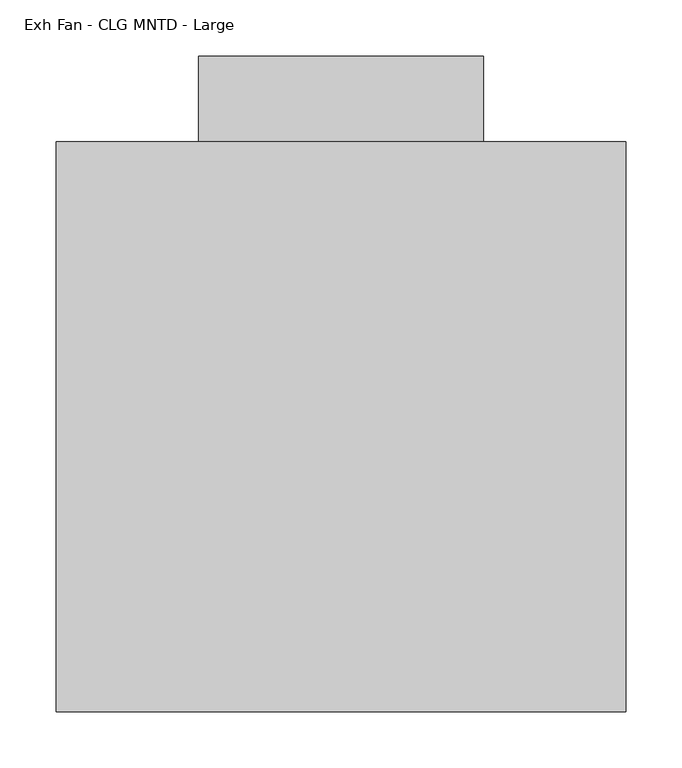
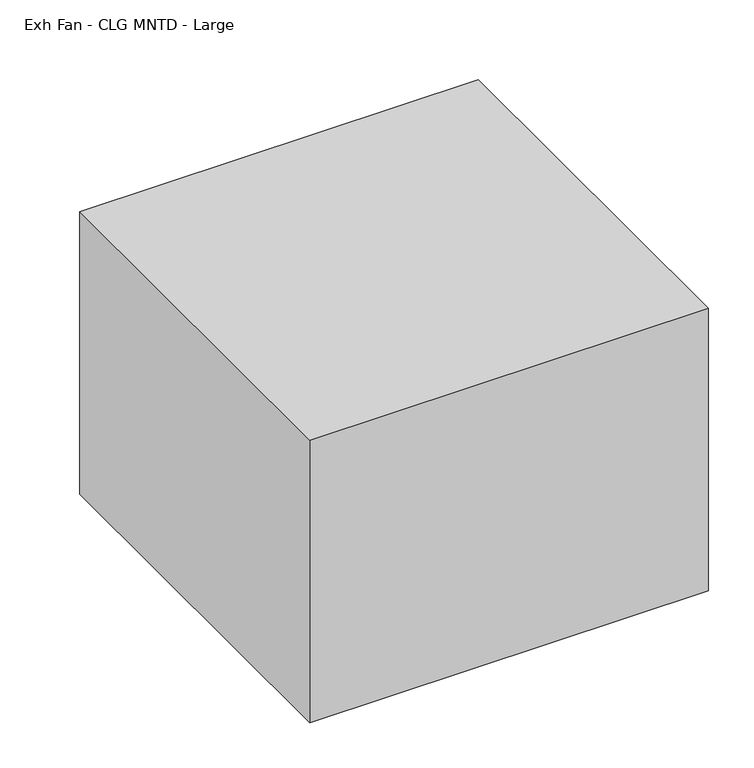
"""IFC4 building model written with IfcOpenShell, lengths in millimetres: proxy geometry, Exh Fan - CLG MNTD - Large."""

from ifc_helpers import new_model, si_unit, frame, origin, place, context, project, spatial, polyline, outline, extrude, source, transform, mapped, element, save


def exh_fan_clg_mntd_large_a9684b6e(model_context):
    return source(origin(), model_context, "Body", "SweptSolid", [
        extrude(outline(polyline([(127.0, 584.2), (381.0, 584.2), (381.0, 508.0), (127.0, 508.0), (127.0, 584.2)])), frame((0.0, 0.0, -355.6), z_axis=(0.0, 0.0, 1.0), x_axis=(1.0, 0.0, 0.0)), (0.0, 0.0, 1.0), 152.4),
        extrude(outline(polyline([(508.0, 0.0), (0.0, 0.0), (0.0, 508.0), (508.0, 508.0), (508.0, 0.0)])), frame((0.0, 0.0, -381.0), z_axis=(0.0, 0.0, 1.0), x_axis=(1.0, 0.0, 0.0)), (0.0, 0.0, 1.0), 381.0),
    ])


if __name__ == "__main__":
    model = new_model("IFC4")
    model_context = context("Model", 3, world=origin())
    ifc_project = project(units=[si_unit("LENGTHUNIT", "METRE", prefix="MILLI")], contexts=[model_context])
    site = spatial("IfcSite", under=ifc_project)
    building = spatial("IfcBuilding", under=site)
    placement = place(None, origin())
    exh_fan_clg_mntd_large_shape = exh_fan_clg_mntd_large_a9684b6e(model_context)
    element("IfcBuildingElementProxy", 1, Name="Exh Fan - CLG MNTD - Large", ObjectType="Exh Fan - CLG MNTD - Large", at=placement, inside=building, context=model_context, shape_type="MappedRepresentation", body=[
        mapped(exh_fan_clg_mntd_large_shape, transform((0.0, 0.0, 0.0), x_axis=(1.0, 0.0, 0.0), y_axis=(0.0, 1.0, 0.0), z_axis=(0.0, 0.0, 1.0))),
    ])
    save(model, "model.ifc")
